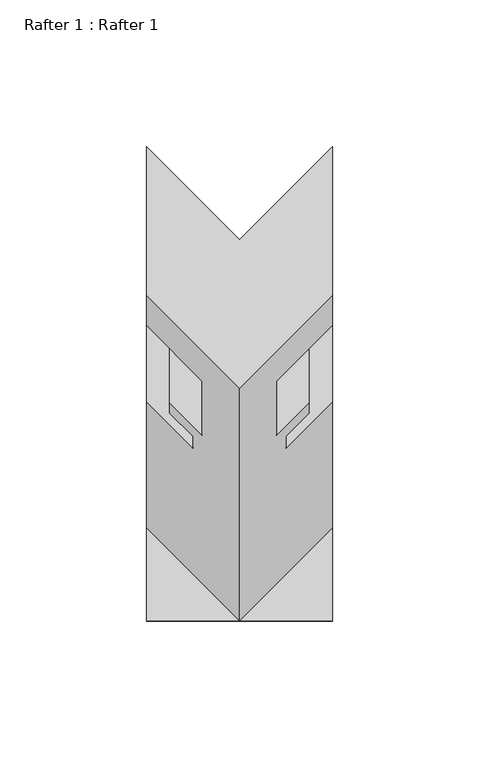
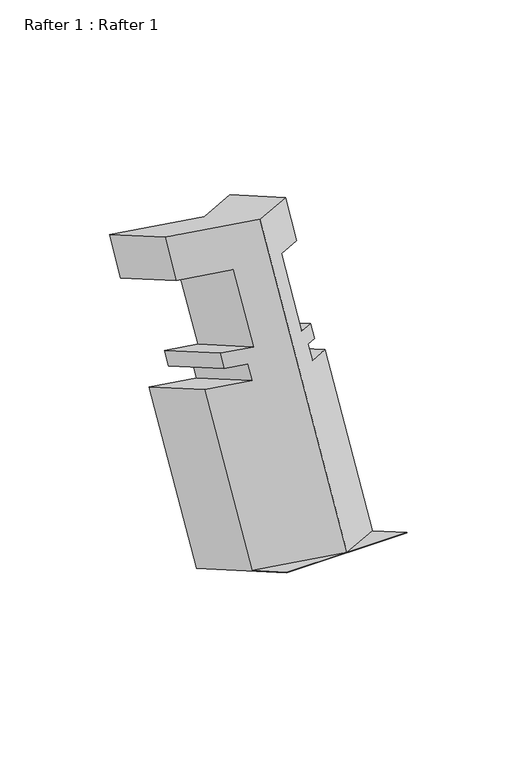
"""IFC4 building model written with IfcOpenShell, lengths in millimetres: proxy geometry, Rafter 1 : Rafter 1."""

from ifc_helpers import new_model, si_unit, origin, place, context, project, spatial, faceted_brep, source, transform, mapped, element, save


def rafter_1_rafter_1_2cb56833(model_context):
    return source(origin(), model_context, "Body", "Brep", [
        faceted_brep([(-8302.6192107, 8590.1842885, 1887.6597378), (-8366.1192107, 8590.1842885, 1887.6597378), (-8366.1192107, 8590.2889222, 1887.8409687), (-8302.6192107, 8590.2889222, 1887.8409687), (-8366.1192107, 8507.7668081, 1935.2434924), (-8302.6192107, 8507.7668081, 1935.2434924), (-8302.6192107, 8507.8714418, 1935.4247233), (-8334.3692107, 8507.8714418, 1935.4247233), (-8366.1192107, 8507.8714418, 1935.4247233), (-8366.1192107, 8669.7497885, 2025.4712264), (-8366.1192107, 8619.0823081, 2054.7241098), (-8334.3692107, 8587.3323081, 2073.0549809), (-8302.6192107, 8619.0823081, 2054.7241098), (-8302.6192107, 8669.7497885, 2025.4712264), (-8334.3692107, 8637.9997885, 2043.8020974), (-8302.6192107, 8608.7445081, 2036.818515), (-8302.6192107, 8659.4119885, 2007.5656315), (-8321.6692107, 8589.6945081, 2047.8170376), (-8321.6692107, 8640.3619885, 2018.5641542), (-8321.6692107, 8571.2668081, 2015.899325), (-8321.6692107, 8621.9342885, 1986.6464415), (-8310.5440107, 8582.3920081, 2009.4761878), (-8310.5440107, 8633.0594885, 1980.2233043), (-8310.5440107, 8578.8106081, 2003.273021), (-8310.5440107, 8629.4780885, 1974.0201375), (-8318.4942107, 8570.8604081, 2007.8630711), (-8318.4942107, 8621.5278885, 1978.6101876), (-8318.4942107, 8566.9107081, 2001.02199), (-8318.4942107, 8617.5781885, 1971.7691066), (-8302.6192107, 8582.7857081, 1991.8565545), (-8302.6192107, 8633.4531885, 1962.603671), (-8302.6192107, 8539.6214418, 1917.0938522), (-8366.1192107, 8539.6214418, 1917.0938522), (-8366.1192107, 8582.7857081, 1991.8565545), (-8366.1192107, 8633.4531885, 1962.603671), (-8350.2442107, 8566.9107081, 2001.02199), (-8350.2442107, 8617.5781885, 1971.7691066), (-8350.2442107, 8570.8604081, 2007.8630711), (-8350.2442107, 8621.5278885, 1978.6101876), (-8358.1944107, 8578.8106081, 2003.273021), (-8358.1944107, 8629.4780885, 1974.0201375), (-8358.1944107, 8582.4416175, 2009.5621137), (-8358.1944107, 8633.1090979, 1980.3092302), (-8347.0692107, 8571.3164175, 2015.9852509), (-8347.0692107, 8621.9838979, 1986.7323675), (-8347.0692107, 8589.6945081, 2047.8170376), (-8347.0692107, 8640.3619885, 2018.5641542), (-8366.1192107, 8608.7635581, 2036.8515106), (-8366.1192107, 8659.4310385, 2007.5986271), (-8334.3692107, 8558.5389222, 1906.1718398)], [[[0, 1, 2, 3]], [[4, 5, 6, 7, 8]], [[9, 10, 11, 12, 13, 14]], [[13, 12, 15, 16]], [[16, 15, 17, 18]], [[18, 17, 19, 20]], [[20, 19, 21, 22]], [[22, 21, 23, 24]], [[24, 23, 25, 26]], [[26, 25, 27, 28]], [[28, 27, 29, 30]], [[5, 0, 3, 30, 29, 31, 6]], [[1, 0, 5, 4]], [[1, 4, 8, 32, 33, 34, 2]], [[34, 33, 35, 36]], [[36, 35, 37, 38]], [[38, 37, 39, 40]], [[40, 39, 41, 42]], [[42, 41, 43, 44]], [[44, 43, 45, 46]], [[46, 45, 47, 48]], [[10, 9, 48, 47]], [[2, 49, 3]], [[31, 7, 6]], [[7, 32, 8]], [[49, 2, 34, 36, 38, 40, 42, 44, 46, 48, 9, 14]], [[3, 49, 14, 13, 16, 18, 20, 22, 24, 26, 28, 30]], [[7, 31, 29, 27, 25, 23, 21, 19, 17, 15, 12, 11]], [[32, 7, 11, 10, 47, 45, 43, 41, 39, 37, 35, 33]]]),
    ])


if __name__ == "__main__":
    model = new_model("IFC4")
    model_context = context("Model", 3, world=origin())
    ifc_project = project(units=[si_unit("LENGTHUNIT", "METRE", prefix="MILLI")], contexts=[model_context])
    site = spatial("IfcSite", under=ifc_project)
    building = spatial("IfcBuilding", under=site)
    placement = place(None, origin())
    rafter_1_rafter_1_shape = rafter_1_rafter_1_2cb56833(model_context)
    element("IfcBuildingElementProxy", 1, Name="Rafter 1 : Rafter 1", ObjectType="Rafter 1 : Rafter 1", at=placement, inside=building, context=model_context, shape_type="MappedRepresentation", body=[
        mapped(rafter_1_rafter_1_shape, transform((0.0, 0.0, 0.0), x_axis=(1.0, 0.0, 0.0), y_axis=(0.0, 1.0, 0.0), z_axis=(0.0, 0.0, 1.0))),
    ])
    save(model, "model.ifc")
